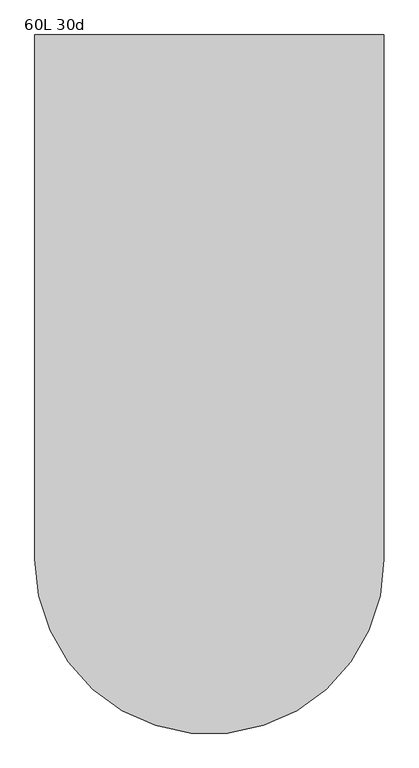
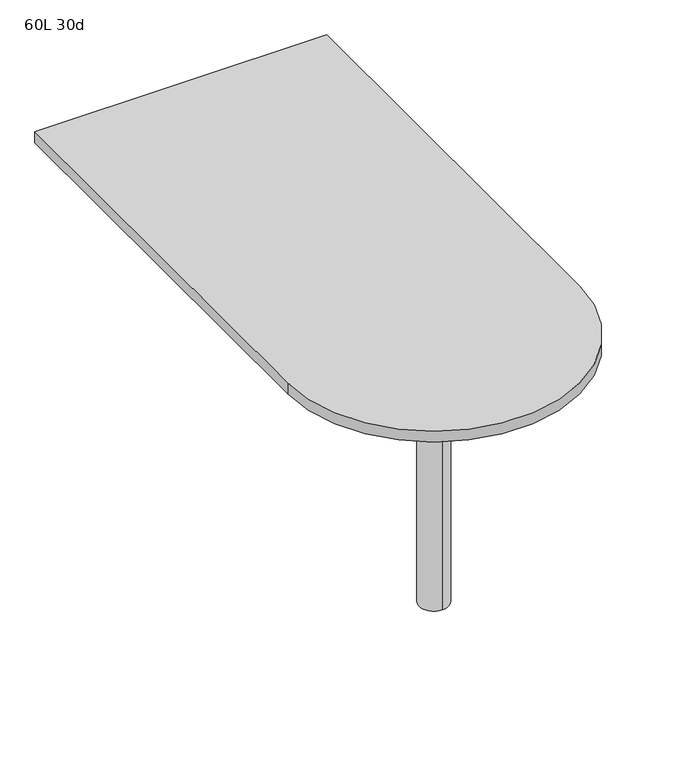
"""IFC4 building model written with IfcOpenShell, lengths in millimetres: furniture geometry, 60L 30d."""

from ifc_helpers import new_model, si_unit, point, frame, frame_2d, origin, place, context, project, spatial, polyline, circle_curve, trimmed, segment, composite_curve, outline, extrude, source, transform, mapped, element, save
from ifc_brep_helpers import plane_surface, cylinder_surface, advanced_brep


def furniture_60l_30d_45b0df52(model_context):
    return source(origin(), model_context, "Body", "SolidModel", [
        advanced_brep(
        [(0.0, -342.9, 706.4375), (0.0, -419.1, 706.4375), (0.0, -381.0, 706.4375), (0.0, -342.9, 0.0), (0.0, -419.1, 0.0), (0.0, -381.0, 0.0)],
        [
            (0, 1, circle_curve(frame((0.0, -381.0, 706.4375), z_axis=(0.0, 0.0, 1.0), x_axis=(0.0, -1.0, 0.0)), 38.1)),
            (1, 2),
            (2, 0),
            (1, 0, circle_curve(frame((0.0, -381.0, 706.4375), z_axis=(0.0, 0.0, 1.0), x_axis=(0.0, -1.0, 0.0)), 38.1)),
            (3, 4, circle_curve(frame((0.0, -381.0, 0.0), z_axis=(0.0, 0.0, 1.0), x_axis=(0.0, -1.0, 0.0)), 38.1)),
            (4, 1),
            (0, 3),
            (4, 3, circle_curve(frame((0.0, -381.0, 0.0), z_axis=(0.0, 0.0, 1.0), x_axis=(0.0, -1.0, 0.0)), 38.1)),
            (5, 4),
            (3, 5),
        ],
        [
            plane_surface(frame((0.0, -381.0, 706.4375), z_axis=(0.0, 0.0, 1.0), x_axis=(0.0, -1.0, 0.0))),
            cylinder_surface(frame((0.0, -381.0, 889.623257), z_axis=(0.0, 0.0, -1.0), x_axis=(0.0, -1.0, 0.0)), 38.1),
            plane_surface(frame((0.0, -381.0, 0.0), z_axis=(0.0, 0.0, -1.0), x_axis=(0.0, -1.0, 0.0))),
        ],
        [
            (0, [[1, 2, 3]]),
            (0, [[4, -3, -2]]),
            (1, [[5, 6, -1, 7]]),
            (1, [[8, -7, -4, -6]]),
            (2, [[9, -5, 10]]),
            (2, [[-10, -8, -9]]),
        ],
    ),
        extrude(outline(composite_curve([segment(polyline([(-381.0, -381.0), (-381.0, 762.0), (381.0, 762.0), (381.0, -381.0)]), True, "CONTINUOUS"), segment(trimmed(circle_curve(frame_2d((0.0, -381.0)), 381.0), [point((381.0, -381.0))], [point((-381.0, -381.0))], False, "CARTESIAN"), True, "CONTINUOUS")], self_intersect=False)), frame((0.0, 0.0, 706.4375), z_axis=(0.0, 0.0, 1.0), x_axis=(1.0, 0.0, 0.0)), (0.0, 0.0, 1.0), 30.1625),
    ])


if __name__ == "__main__":
    model = new_model("IFC4")
    model_context = context("Model", 3, world=origin())
    ifc_project = project(units=[si_unit("LENGTHUNIT", "METRE", prefix="MILLI")], contexts=[model_context])
    site = spatial("IfcSite", under=ifc_project)
    building = spatial("IfcBuilding", under=site)
    placement = place(None, origin())
    furniture_60l_30d_shape = furniture_60l_30d_45b0df52(model_context)
    element("IfcFurniture", 1, ObjectType="60L 30d", at=placement, inside=building, context=model_context, shape_type="MappedRepresentation", body=[
        mapped(furniture_60l_30d_shape, transform((0.0, 0.0, 0.0), x_axis=(1.0, 0.0, 0.0), y_axis=(0.0, 1.0, 0.0), z_axis=(0.0, 0.0, 1.0))),
    ])
    save(model, "model.ifc")
